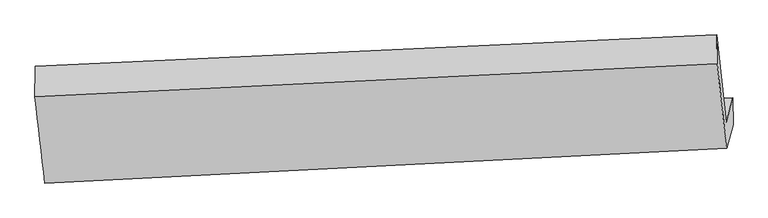
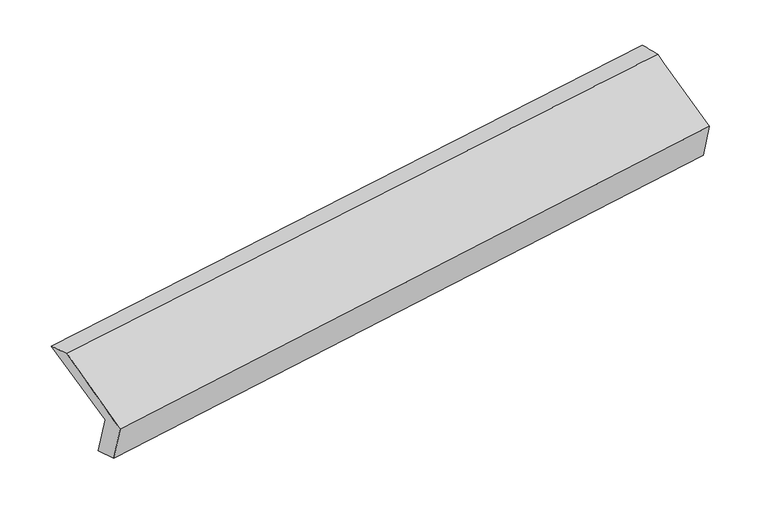
"""IFC4 building model written with IfcOpenShell, lengths in millimetres: proxy geometry."""

from ifc_helpers import new_model, si_unit, frame, origin, place, context, project, spatial, source, transform, mapped, element, save
from ifc_brep_helpers import plane_surface, spline_surface, advanced_brep


def generic_models_b1ce58a3(model_context):
    return source(origin(), model_context, "Body", "AdvancedBrep", [
        advanced_brep(
        [(-5171.4518298, -1607.2880846, 1218.1272351), (-5219.2772305, -1779.4738655, 1593.3738953), (-492.3893684, -1554.2972814, 2288.6289497), (-445.6562647, -1386.0440972, 1921.9526473), (-5171.7216605, -1817.0280679, 1283.5368121), (-444.4141568, -1571.5825912, 1969.8123952), (-5216.0950134, -1976.785442, 1631.6980874), (-489.601598, -1734.2709269, 2324.3611524), (-5285.9447221, -1378.4900264, 1922.1246764), (-554.4694806, -1148.4298232, 2584.9129062), (-5284.5375409, -1165.4669031, 1848.0373156), (-556.6722964, -949.486101, 2539.4783589)],
        [
            (0, 1),
            (1, 2),
            (2, 3),
            (3, 0),
            (4, 0),
            (3, 5),
            (5, 4),
            (6, 4),
            (5, 7),
            (7, 6),
            (8, 6),
            (7, 9),
            (9, 8),
            (10, 8),
            (9, 11),
            (11, 10),
            (1, 10),
            (11, 2),
        ],
        [
            plane_surface(frame((-5195.3645302, -1693.380975, 1405.7505652), z_axis=(-0.10272344160804356, 0.9089732019734222, 0.4039995205917739), x_axis=(-0.11506825776738133, -0.4142802261105933, 0.9028461609311607))),
            spline_surface(1, 1, [[(-5171.7216605, -1817.0280679, 1283.5368121), (-444.4141568, -1571.5825912, 1969.8123952)], [(-5171.4518298, -1607.2880846, 1218.1272351), (-445.6562647, -1386.0440972, 1921.9526473)]], [2, 2], [2, 2], [0.0, 1.0], [0.0, 1.0]),
            plane_surface(frame((-5193.9083369, -1896.9067549, 1457.6174497), z_axis=(0.10577045947443747, -0.9088262053344442, -0.40354372551182277), x_axis=(0.11506825776738146, 0.41428022611059345, -0.9028461609311607))),
            spline_surface(1, 1, [[(-5285.9447221, -1378.4900264, 1922.1246764), (-554.4694806, -1148.4298232, 2584.9129062)], [(-5216.0950134, -1976.785442, 1631.6980874), (-489.601598, -1734.2709269, 2324.3611524)]], [2, 2], [2, 2], [0.0, 1.0], [0.0, 1.0]),
            spline_surface(1, 1, [[(-5284.5375409, -1165.4669031, 1848.0373156), (-556.6722964, -949.486101, 2539.4783589)], [(-5285.9447221, -1378.4900264, 1922.1246764), (-554.4694806, -1148.4298232, 2584.9129062)]], [2, 2], [2, 2], [0.0, 1.0], [0.0, 1.0]),
            plane_surface(frame((-5251.9073857, -1472.4703843, 1720.7056054), z_axis=(0.1156756068817168, 0.3910049737643255, -0.9130905017927334), x_axis=(-0.09770679993738478, 0.9192824102481968, 0.38127841724160316))),
            plane_surface(frame((-497.2005275, -1390.6851368, 2271.5244016), z_axis=(0.9882445851789834, 0.04435543351018271, 0.14630528145813054), x_axis=(0.10065751794475412, -0.909067923629406, -0.40430628774398497))),
            plane_surface(frame((-5224.8379995, -1620.7553982, 1582.816337), z_axis=(-0.9882445851789828, -0.044355433510188114, -0.14630528145813415), x_axis=(0.11506825776738254, 0.4142802261105931, -0.9028461609311607))),
        ],
        [
            (0, [[1, 2, 3, 4]]),
            (1, [[5, -4, 6, 7]]),
            (2, [[8, -7, 9, 10]]),
            (3, [[11, -10, 12, 13]]),
            (4, [[14, -13, 15, 16]]),
            (5, [[17, -16, 18, -2]]),
            (6, [[-12, -9, -6, -3, -18, -15]]),
            (7, [[-1, -5, -8, -11, -14, -17]]),
        ],
    ),
    ])


if __name__ == "__main__":
    model = new_model("IFC4")
    model_context = context("Model", 3, world=origin())
    ifc_project = project(units=[si_unit("LENGTHUNIT", "METRE", prefix="MILLI")], contexts=[model_context])
    site = spatial("IfcSite", under=ifc_project)
    building = spatial("IfcBuilding", under=site)
    placement = place(None, origin())
    generic_models_shape = generic_models_b1ce58a3(model_context)
    element("IfcBuildingElementProxy", 1, Name="Generic Models", at=placement, inside=building, context=model_context, shape_type="MappedRepresentation", body=[
        mapped(generic_models_shape, transform((0.0, 0.0, 0.0), x_axis=(1.0, 0.0, 0.0), y_axis=(0.0, 1.0, 0.0), z_axis=(0.0, 0.0, 1.0))),
    ])
    save(model, "model.ifc")
